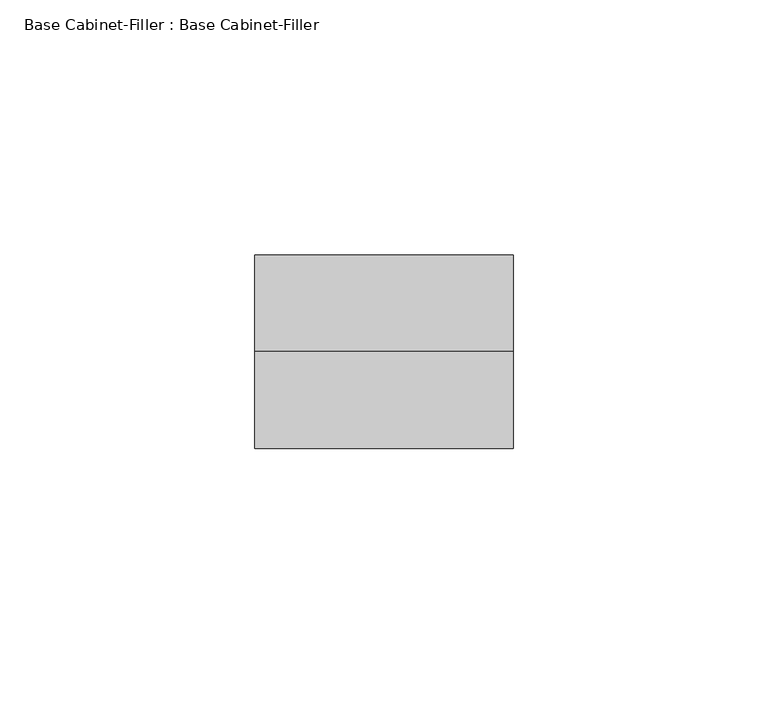
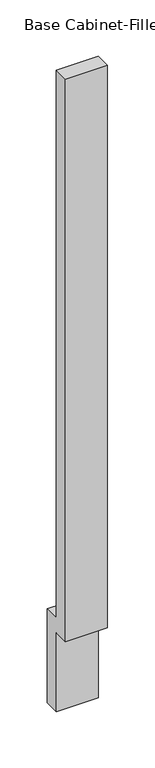
"""IFC4 building model written with IfcOpenShell, lengths in millimetres: furniture geometry, Base Cabinet-Filler : Base Cabinet-Filler."""

from ifc_helpers import new_model, si_unit, frame, origin, place, context, project, spatial, polyline, outline, extrude, source, transform, mapped, element, save


def base_cabinet_filler_base_cabinet_filler_148e8b7e(model_context):
    return source(origin(), model_context, "Body", "SweptSolid", [
        extrude(outline(polyline([(-590.55, 101.6), (-590.55, 825.5), (-571.5, 825.5), (-571.5, 120.65), (-552.45, 120.65), (-552.45, 0.0), (-571.5, 0.0), (-571.5, 101.6), (-590.55, 101.6)])), frame((-6.6622951, 0.0, 0.0), z_axis=(1.0, 0.0, 0.0), x_axis=(0.0, 1.0, 0.0)), (0.0, 0.0, 1.0), 50.8),
    ])


if __name__ == "__main__":
    model = new_model("IFC4")
    model_context = context("Model", 3, world=origin())
    ifc_project = project(units=[si_unit("LENGTHUNIT", "METRE", prefix="MILLI")], contexts=[model_context])
    site = spatial("IfcSite", under=ifc_project)
    building = spatial("IfcBuilding", under=site)
    placement = place(None, origin())
    base_cabinet_filler_base_cabinet_filler_shape = base_cabinet_filler_base_cabinet_filler_148e8b7e(model_context)
    element("IfcFurniture", 1, ObjectType="Base Cabinet-Filler : Base Cabinet-Filler", at=placement, inside=building, context=model_context, shape_type="MappedRepresentation", body=[
        mapped(base_cabinet_filler_base_cabinet_filler_shape, transform((0.0, 0.0, 0.0), x_axis=(1.0, 0.0, 0.0), y_axis=(0.0, 1.0, 0.0), z_axis=(0.0, 0.0, 1.0))),
    ])
    save(model, "model.ifc")
